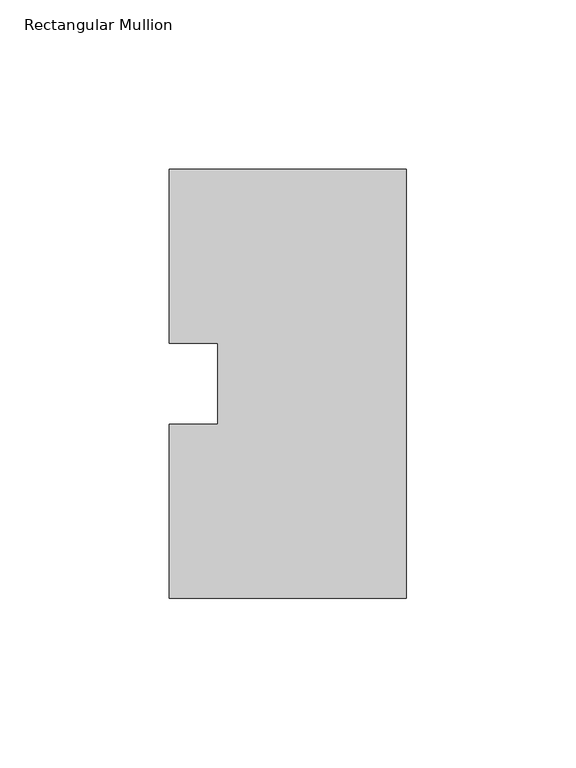
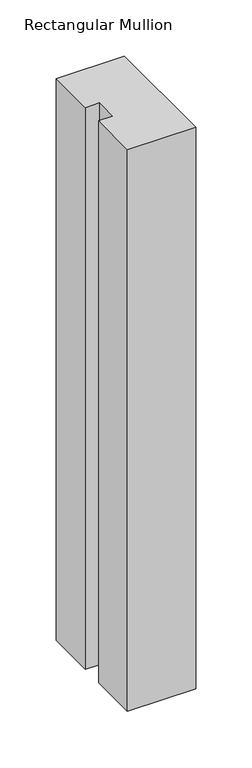
"""IFC4 building model written with IfcOpenShell, lengths in millimetres: member geometry, Rectangular Mullion."""

from ifc_helpers import new_model, si_unit, frame, origin, place, context, project, spatial, polyline, outline, extrude, source, transform, mapped, element, save


def rectangular_mullion_dd530fc0(model_context):
    return source(origin(), model_context, "Body", "SweptSolid", [
        extrude(outline(polyline([(0.0, 0.26035), (-69.85, 0.26035), (-69.85, 51.60645), (-55.5625, 51.60645), (-55.5625, 75.40625), (-69.85, 75.40625), (-69.85, 126.75235), (0.0, 126.75235), (0.0, 0.26035)])), frame((0.0, 0.0, -609.6), z_axis=(0.0, 0.0, 1.0), x_axis=(1.0, 0.0, 0.0)), (0.0, 0.0, 1.0), 609.6),
    ])


if __name__ == "__main__":
    model = new_model("IFC4")
    model_context = context("Model", 3, world=origin())
    ifc_project = project(units=[si_unit("LENGTHUNIT", "METRE", prefix="MILLI")], contexts=[model_context])
    site = spatial("IfcSite", under=ifc_project)
    building = spatial("IfcBuilding", under=site)
    placement = place(None, origin())
    rectangular_mullion_shape = rectangular_mullion_dd530fc0(model_context)
    element("IfcMember", 1, ObjectType="Rectangular Mullion", at=placement, inside=building, context=model_context, shape_type="MappedRepresentation", body=[
        mapped(rectangular_mullion_shape, transform((0.0, 0.0, 0.0), x_axis=(1.0, 0.0, 0.0), y_axis=(0.0, 1.0, 0.0), z_axis=(0.0, 0.0, 1.0))),
    ])
    save(model, "model.ifc")
